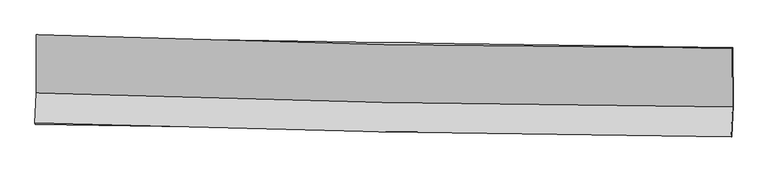
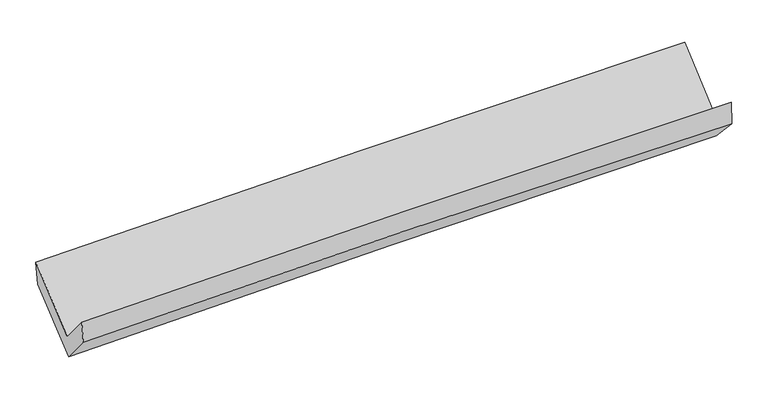
"""IFC4 building model written with IfcOpenShell, lengths in millimetres: proxy geometry."""

from ifc_helpers import new_model, si_unit, frame, origin, place, context, project, spatial, source, transform, mapped, element, save
from ifc_brep_helpers import plane_surface, spline_curve, spline_surface, advanced_brep


def generic_models_8ba289e1(model_context):
    return source(origin(), model_context, "Body", "AdvancedBrep", [
        advanced_brep(
        [(-3015.3116574, -1163.8582138, 2172.2418834), (-3013.4889594, -1667.1050567, 1740.0087466), (3003.9357186, -1786.8267877, 1870.9806389), (3001.8893869, -1277.7342306, 2316.558984), (-3025.2623346, -1925.4051812, 2040.6966203), (2991.7149395, -2046.544495, 2189.0575118), (-3021.0187084, -1942.0941612, 1854.3671165), (2996.7757512, -2049.0906797, 1979.1696214), (-3009.0886957, -1682.2991406, 1548.3002753), (3008.5043782, -1777.3125312, 1689.8906353), (-3010.5591675, -1180.4598722, 1965.0519467), (3007.028741, -1273.7104185, 2108.106258)],
        [
            (0, 1),
            (1, 2, spline_curve(3, [(-3013.4889594, -1667.1050567, 1740.0087466), (-2011.420663018, -1703.40732187, 1784.662582862), (-1008.935271504, -1731.5352622, 1817.903826278), (996.872952062, -1771.442559045, 1861.561197442), (2000.19578608, -1783.221861994, 1871.977251691), (3003.9357186, -1786.8267877, 1870.9806389)], [4, 2, 4], [0.0, 9.876541727838656, 19.753115453253645])),
            (2, 3),
            (3, 0, spline_curve(3, [(3001.8893869, -1277.7342306, 2316.558984), (1998.12857695, -1277.233793498, 2316.20989716), (994.813940119, -1267.493876712, 2304.00888972), (-1010.919738481, -1229.535144376, 2255.903113005), (-2013.338782896, -1201.316389249, 2219.998419773), (-3015.3116574, -1163.8582138, 2172.2418834)], [4, 2, 4], [0.0, 9.876573725414989, 19.753115453253645])),
            (1, 4),
            (4, 5, spline_curve(3, [(-3025.2623346, -1925.4051812, 2040.6966203), (-2023.214616582, -1958.099431356, 2088.758149313), (-1020.776797917, -1984.541493026, 2125.152320316), (984.882291234, -2024.921304784, 2174.606026193), (1988.103563536, -2038.859014402, 2187.665485925), (2991.7149395, -2046.544495, 2189.0575118)], [4, 2, 4], [0.0, 9.876405156180807, 19.752842309495488])),
            (5, 2),
            (4, 6),
            (6, 7, spline_curve(3, [(-3021.0187084, -1942.0941612, 1854.3671165), (-2018.284353565, -1953.633914608, 1889.2159971), (-1015.435116781, -1968.320148095, 1917.040641017), (990.496368739, -2003.985634078, 1958.641521171), (1993.578618783, -2024.964906327, 1972.417712788), (2996.7757512, -2049.0906797, 1979.1696214)], [4, 2, 4], [0.0, 9.875847848133029, 19.751727691594393])),
            (7, 5),
            (6, 8),
            (8, 9, spline_curve(3, [(-3009.0886957, -1682.2991406, 1548.3002753), (-2006.41977978, -1697.992026559, 1582.891143157), (-1003.620045093, -1713.756239465, 1611.985763312), (1002.244311942, -1745.427369039, 1659.18258574), (2005.308935251, -1761.334286794, 1677.284751894), (3008.5043782, -1777.3125312, 1689.8906353)], [4, 2, 4], [0.0, 9.87554090797983, 19.751113810293585])),
            (9, 7),
            (8, 10),
            (10, 11, spline_curve(3, [(-3010.5591675, -1180.4598722, 1965.0519467), (-2007.885334996, -1197.830761954, 1998.249318939), (-1005.083571976, -1214.28707452, 2026.769185789), (1000.779063223, -1245.370596032, 2074.453986455), (2003.839936488, -1259.997798594, 2093.618889836), (3007.028741, -1273.7104185, 2108.106258)], [4, 2, 4], [0.0, 9.875478183452849, 19.75098836103641])),
            (11, 9),
            (10, 0),
            (3, 11),
        ],
        [
            spline_surface(3, 3, [[(-3015.3116574, -1163.8582138, 2172.2418834), (-2013.33878298, -1201.316389168, 2219.998419845), (-1010.919738456, -1229.535144475, 2255.903112864), (994.813940094, -1267.493876613, 2304.008889862), (1998.128576988, -1277.233793564, 2316.209897036), (3001.8893869, -1277.7342306, 2316.558984)], [(-3014.704091375, -1331.607161447, 2028.164171126), (-2012.699409653, -1368.680033381, 2074.886474176), (-1010.258249425, -1396.86851708, 2109.90335063), (995.500277374, -1435.476770708, 2156.526325755), (1998.817646752, -1445.896483057, 2168.13234857), (3002.571497486, -1447.431749618, 2168.032868955)], [(-3014.096525425, -1499.356109053, 1884.086458874), (-2012.0600364, -1536.043677551, 1929.774528529), (-1009.596760401, -1564.201889714, 1963.903588404), (996.186614648, -1603.459664832, 2009.043761656), (1999.506716459, -1614.559172595, 2020.054800141), (3003.253608014, -1617.129268682, 2019.506753945)], [(-3013.4889594, -1667.1050567, 1740.0087466), (-2011.420663073, -1703.407321764, 1784.66258286), (-1008.93527137, -1731.535262319, 1817.90382617), (996.872951929, -1771.442558926, 1861.56119755), (2000.195786223, -1783.221862088, 1871.977251676), (3003.9357186, -1786.8267877, 1870.9806389)]], [4, 4], [4, 2, 4], [0.0, 2.192975979990617], [0.0, 9.876541727838656, 19.753115453253645]),
            spline_surface(3, 3, [[(-3013.4889594, -1667.1050567, 1740.0087466), (-2011.420663073, -1703.407321764, 1784.66258286), (-1008.93527137, -1731.535262319, 1817.90382617), (996.872951929, -1771.442558926, 1861.56119755), (2000.195786223, -1783.221862088, 1871.977251676), (3003.9357186, -1786.8267877, 1870.9806389)], [(-3017.41341781, -1753.205098185, 1840.238037835), (-2015.351980969, -1788.30469161, 1886.027771665), (-1012.882446861, -1815.870672546, 1920.319990871), (992.876064955, -1855.935474212, 1965.909473826), (1996.165045301, -1868.434246203, 1977.20666308), (2999.862125565, -1873.399356817, 1977.006263208)], [(-3021.33787619, -1839.305139715, 1940.467329065), (-2019.283298837, -1873.2020615, 1987.392960466), (-1016.829622275, -1900.206082786, 2022.736155501), (988.879178057, -1940.428389511, 2070.257750031), (1992.134304384, -1953.646630268, 2082.43607446), (2995.788532535, -1959.971925883, 2083.031887492)], [(-3025.2623346, -1925.4051812, 2040.6966203), (-2023.214616734, -1958.099431346, 2088.75814927), (-1020.776797766, -1984.541493013, 2125.152320202), (984.882291083, -2024.921304798, 2174.606026307), (1988.103563462, -2038.859014384, 2187.665485864), (2991.7149395, -2046.544495, 2189.0575118)]], [4, 4], [4, 2, 4], [0.0, 1.3142403709406076], [0.0, 9.876405156180807, 19.752842309495488]),
            spline_surface(3, 3, [[(-3025.2623346, -1925.4051812, 2040.6966203), (-2023.214616734, -1958.099431346, 2088.75814927), (-1020.776797766, -1984.541493013, 2125.152320202), (984.882291083, -2024.921304798, 2174.606026307), (1988.103563462, -2038.859014384, 2187.665485864), (2991.7149395, -2046.544495, 2189.0575118)], [(-3023.847792549, -1930.968174534, 1978.586785716), (-2021.57119566, -1956.610925742, 2022.244098604), (-1018.99623747, -1979.134378075, 2055.781760417), (986.753650367, -2017.942747856, 2102.617857975), (1989.928581919, -2034.227645072, 2115.916228132), (2993.401876734, -2047.393223222, 2119.094881661)], [(-3022.433250451, -1936.531167866, 1916.476951084), (-2019.927774539, -1955.122420136, 1955.730047888), (-1017.215677224, -1973.727263138, 1986.411200647), (988.625009602, -2010.964190915, 2030.629689658), (1991.753600375, -2029.596275795, 2044.166970417), (2995.088813966, -2048.241951478, 2049.132251539)], [(-3021.0187084, -1942.0941612, 1854.3671165), (-2018.284353465, -1953.633914532, 1889.215997222), (-1015.435116928, -1968.3201482, 1917.040640862), (990.496368886, -2003.985633974, 1958.641521326), (1993.578618831, -2024.964906483, 1972.417712685), (2996.7757512, -2049.0906797, 1979.1696214)]], [4, 4], [4, 2, 4], [0.0, 0.69855951166874], [0.0, 9.875847848133029, 19.751727691594393]),
            spline_surface(3, 3, [[(-3021.0187084, -1942.0941612, 1854.3671165), (-2018.284353465, -1953.633914532, 1889.215997222), (-1015.435116928, -1968.3201482, 1917.040640862), (990.496368886, -2003.985633974, 1958.641521326), (1993.578618831, -2024.964906483, 1972.417712685), (2996.7757512, -2049.0906797, 1979.1696214)], [(-3017.042037495, -1855.495821012, 1752.34483608), (-2014.329495617, -1868.419951936, 1787.107712482), (-1011.496759657, -1883.465511934, 1815.355681692), (994.412349928, -1917.799545689, 1858.821876091), (1997.488724254, -1937.088033207, 1874.040059118), (3000.685293518, -1958.49796353, 1882.743292689)], [(-3013.065366605, -1768.897480788, 1650.32255572), (-2010.374637784, -1783.205989303, 1684.999427803), (-1007.558402409, -1798.610875659, 1713.670722561), (998.328330945, -1831.613457395, 1759.002230897), (2001.398829722, -1849.211159942, 1775.662405585), (3004.594835882, -1867.90524737, 1786.316964011)], [(-3009.0886957, -1682.2991406, 1548.3002753), (-2006.419779935, -1697.992026707, 1582.891143064), (-1003.620045138, -1713.756239393, 1611.985763391), (1002.244311987, -1745.42736911, 1659.182585662), (2005.308935145, -1761.334286666, 1677.284752018), (3008.5043782, -1777.3125312, 1689.8906353)]], [4, 4], [4, 2, 4], [0.0, 1.3013054747522828], [0.0, 9.87554090797983, 19.751113810293585]),
            spline_surface(3, 3, [[(-3009.0886957, -1682.2991406, 1548.3002753), (-2006.419779935, -1697.992026707, 1582.891143064), (-1003.620045138, -1713.756239393, 1611.985763391), (1002.244311987, -1745.42736911, 1659.182585662), (2005.308935145, -1761.334286666, 1677.284752018), (3008.5043782, -1777.3125312, 1689.8906353)], [(-3009.578852943, -1515.019384446, 1687.217499093), (-2006.908298236, -1531.271605106, 1721.343868312), (-1004.107887449, -1547.266517785, 1750.246904174), (1001.755895745, -1578.741778051, 1797.606385939), (2004.819268978, -1594.222124033, 1816.062798021), (3008.012499149, -1609.445160304, 1829.295842878)], [(-3010.069010257, -1347.739628354, 1826.134722907), (-2007.396816607, -1364.551183568, 1859.796593581), (-1004.595729733, -1380.776796202, 1888.508044962), (1001.267479532, -1412.056187017, 1936.030186221), (2004.329602765, -1427.109961389, 1954.84084399), (3007.520620051, -1441.577789396, 1968.701050422)], [(-3010.5591675, -1180.4598722, 1965.0519467), (-2007.885334908, -1197.830761967, 1998.249318829), (-1005.083572044, -1214.287074594, 2026.769185746), (1000.779063291, -1245.370595957, 2074.453986498), (2003.839936599, -1259.997798756, 2093.618889993), (3007.028741, -1273.7104185, 2108.106258)]], [4, 4], [4, 2, 4], [0.0, 2.131316331347475], [0.0, 9.875478183452849, 19.75098836103641]),
            spline_surface(3, 3, [[(-3010.5591675, -1180.4598722, 1965.0519467), (-2007.885334908, -1197.830761967, 1998.249318829), (-1005.083572044, -1214.287074594, 2026.769185746), (1000.779063291, -1245.370595957, 2074.453986498), (2003.839936599, -1259.997798756, 2093.618889993), (3007.028741, -1273.7104185, 2108.106258)], [(-3012.143330828, -1174.925986076, 2034.11525895), (-2009.703150961, -1198.99263771, 2072.165685851), (-1007.02896084, -1219.369764574, 2103.147161451), (998.7906889, -1252.745022862, 2150.972287618), (2001.936150043, -1265.743130368, 2167.81589235), (3005.315622948, -1275.05168921, 2177.59050001)], [(-3013.727494072, -1169.392099924, 2103.17857115), (-2011.520966928, -1200.154513425, 2146.082052823), (-1008.97434966, -1224.452454495, 2179.525137159), (996.802314485, -1260.119449708, 2227.490588741), (2000.032363543, -1271.488461951, 2242.012894679), (3003.602504952, -1276.39295989, 2247.07474199)], [(-3015.3116574, -1163.8582138, 2172.2418834), (-2013.33878298, -1201.316389168, 2219.998419845), (-1010.919738456, -1229.535144475, 2255.903112864), (994.813940094, -1267.493876613, 2304.008889862), (1998.128576988, -1277.233793564, 2316.209897036), (3001.8893869, -1277.7342306, 2316.558984)]], [4, 4], [4, 2, 4], [0.0, 0.7551837356099252], [0.0, 9.875846360971613, 19.75172471726674]),
            plane_surface(frame((3001.6414859, -1701.8698571, 2025.6272749), z_axis=(0.999555446018336, -0.017259871678947578, 0.024310638920270605), x_axis=(-0.0022542041048372254, 0.769309682357045, 0.6388720773328228))),
            plane_surface(frame((-3015.7882538, -1593.5369376, 1886.7777648), z_axis=(-0.9995554460183361, 0.017259871678945493, -0.024310638920268936), x_axis=(0.022858584486656036, -0.07985085958403264, -0.9965446930965804))),
        ],
        [
            (0, [[1, 2, 3, 4]]),
            (1, [[5, 6, 7, -2]]),
            (2, [[8, 9, 10, -6]]),
            (3, [[11, 12, 13, -9]]),
            (4, [[14, 15, 16, -12]]),
            (5, [[17, -4, 18, -15]]),
            (6, [[-16, -18, -3, -7, -10, -13]]),
            (7, [[-17, -14, -11, -8, -5, -1]]),
        ],
    ),
    ])


if __name__ == "__main__":
    model = new_model("IFC4")
    model_context = context("Model", 3, world=origin())
    ifc_project = project(units=[si_unit("LENGTHUNIT", "METRE", prefix="MILLI")], contexts=[model_context])
    site = spatial("IfcSite", under=ifc_project)
    building = spatial("IfcBuilding", under=site)
    placement = place(None, origin())
    generic_models_shape = generic_models_8ba289e1(model_context)
    element("IfcBuildingElementProxy", 1, Name="Generic Models", at=placement, inside=building, context=model_context, shape_type="MappedRepresentation", body=[
        mapped(generic_models_shape, transform((0.0, 0.0, 0.0), x_axis=(1.0, 0.0, 0.0), y_axis=(0.0, 1.0, 0.0), z_axis=(0.0, 0.0, 1.0))),
    ])
    save(model, "model.ifc")
